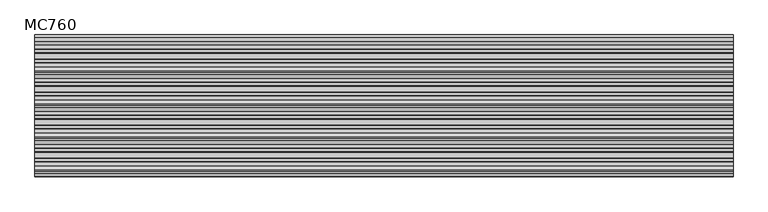
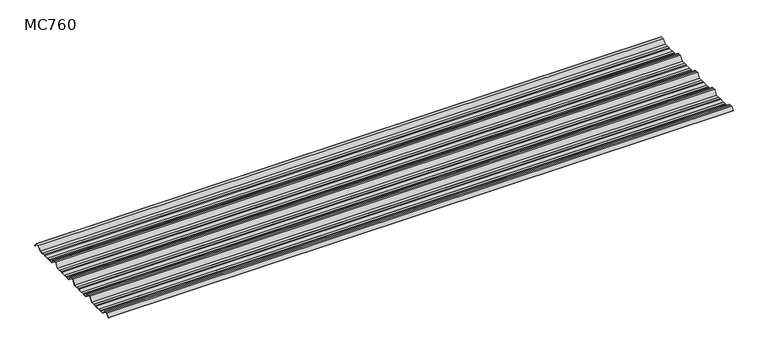
"""IFC4 building model written with IfcOpenShell, lengths in millimetres: beam geometry, MC760."""

from ifc_helpers import new_model, si_unit, point, frame, frame_2d, origin, place, context, project, spatial, polyline, circle_curve, trimmed, segment, composite_curve, outline, extrude, source, transform, mapped, element, save


def mc760_a1de1839(model_context):
    return source(origin(), model_context, "Body", "SweptSolid", [
        extrude(outline(composite_curve([segment(polyline([(-157.5000859, -25.7896475), (-178.0745114, 2.2103525), (-190.0, 2.2103525), (-201.9254886, 2.2103525), (-222.4999141, -25.7896475), (-245.1975582, -25.7896475), (-248.4126024, -23.7494212), (-264.8405937, -23.7494212), (-269.2209114, -25.7896475), (-300.7790886, -25.7896475), (-305.1594063, -23.7494212), (-321.5873976, -23.7494212), (-324.8024418, -25.7896475), (-347.5000859, -25.7896475), (-368.0745114, 2.2103525), (-380.0, 2.2103525), (-391.9254886, 2.2103525), (-412.4999141, -25.7896475), (-435.1975582, -25.7896475), (-438.4126024, -23.7494212), (-454.8405937, -23.7494212), (-459.2209114, -25.7896475), (-490.7790886, -25.7896475), (-495.1594063, -23.7494212), (-511.5873976, -23.7494212), (-514.8024418, -25.7896475), (-537.5000859, -25.7896475), (-558.0745114, 2.2103525), (-570.0, 2.2103525), (-581.9254886, 2.2103525), (-602.4999141, -25.7896475), (-625.1975582, -25.7896475), (-628.4126024, -23.7494212), (-644.8405937, -23.7494212), (-649.2209114, -25.7896475), (-680.7790886, -25.7896475), (-685.1594063, -23.7494212), (-701.5873976, -23.7494212), (-704.8024418, -25.7896475), (-727.5000859, -25.7896475), (-748.0745114, 2.2103525), (-760.0, 2.2103525), (-771.9254886, 2.2103525), (-787.4770979, -18.9540324)]), True, "CONTINUOUS"), segment(trimmed(circle_curve(frame_2d((-787.9022179, -18.6416538)), 0.5275485), [point((-787.4770979, -18.9540324))], [point((-788.327338, -18.3292752))], False, "CARTESIAN"), True, "CONTINUOUS"), segment(polyline([(-788.327338, -18.3292752), (-772.5, 3.2103525), (-760.0, 3.2103525), (-747.5, 3.2103525), (-726.9255746, -24.7896475), (-705.0929563, -24.7896475), (-701.8779121, -22.7494212), (-684.9379428, -22.7494212), (-680.5576251, -24.7896475), (-649.4423749, -24.7896475), (-645.0620572, -22.7494212), (-628.1220879, -22.7494212), (-624.9070437, -24.7896475), (-603.0744254, -24.7896475), (-582.5, 3.2103525), (-570.0, 3.2103525), (-557.5, 3.2103525), (-536.9255746, -24.7896475), (-515.0929563, -24.7896475), (-511.8779121, -22.7494212), (-494.9379428, -22.7494212), (-490.5576251, -24.7896475), (-459.4423749, -24.7896475), (-455.0620572, -22.7494212), (-438.1220879, -22.7494212), (-434.9070437, -24.7896475), (-413.0744254, -24.7896475), (-392.5, 3.2103525), (-380.0, 3.2103525), (-367.5, 3.2103525), (-346.9255746, -24.7896475), (-325.0929563, -24.7896475), (-321.8779121, -22.7494212), (-304.9379428, -22.7494212), (-300.5576251, -24.7896475), (-269.4423749, -24.7896475), (-265.0620572, -22.7494212), (-248.1220879, -22.7494212), (-244.9070437, -24.7896475), (-223.0744254, -24.7896475), (-202.5, 3.2103525), (-190.0, 3.2103525), (-177.5, 3.2103525), (-156.9255746, -24.7896475), (-135.0929563, -24.7896475), (-131.8779121, -22.7494212), (-114.9379428, -22.7494212), (-110.5576251, -24.7896475), (-79.4423749, -24.7896475), (-75.0620572, -22.7494212), (-58.1220879, -22.7494212), (-54.9070437, -24.7896475), (-30.524173, -24.7896475), (-11.4193494, 1.2103525), (11.4193494, 1.2103525), (27.9327415, -21.262935)]), True, "CONTINUOUS"), segment(trimmed(circle_curve(frame_2d((27.5298212, -21.5590012)), 0.5), [point((27.9327415, -21.262935))], [point((27.1269009, -21.8550675))], False, "CARTESIAN"), True, "CONTINUOUS"), segment(polyline([(27.1269009, -21.8550675), (10.9132102, 0.2103525), (-10.9132102, 0.2103525), (-30.0180338, -25.7896475), (-55.1975582, -25.7896475), (-58.4126024, -23.7494212), (-74.8405937, -23.7494212), (-79.2209114, -25.7896475), (-110.7790886, -25.7896475), (-115.1594063, -23.7494212), (-131.5873976, -23.7494212), (-134.8024418, -25.7896475), (-157.5000859, -25.7896475)]), True, "CONTINUOUS")], self_intersect=False)), frame((-2009.6447762, 0.0, 0.0), z_axis=(1.0, 0.0, 0.0), x_axis=(0.0, 1.0, 0.0)), (0.0, 0.0, 1.0), 4019.2895524),
    ])


if __name__ == "__main__":
    model = new_model("IFC4")
    model_context = context("Model", 3, world=origin())
    ifc_project = project(units=[si_unit("LENGTHUNIT", "METRE", prefix="MILLI")], contexts=[model_context])
    site = spatial("IfcSite", under=ifc_project)
    building = spatial("IfcBuilding", under=site)
    placement = place(None, origin())
    mc760_shape = mc760_a1de1839(model_context)
    element("IfcBeam", 1, ObjectType="MC760", at=placement, inside=building, context=model_context, shape_type="MappedRepresentation", body=[
        mapped(mc760_shape, transform((0.0, 0.0, 0.0), x_axis=(1.0, 0.0, 0.0), y_axis=(0.0, 1.0, 0.0), z_axis=(0.0, 0.0, 1.0))),
    ])
    save(model, "model.ifc")
